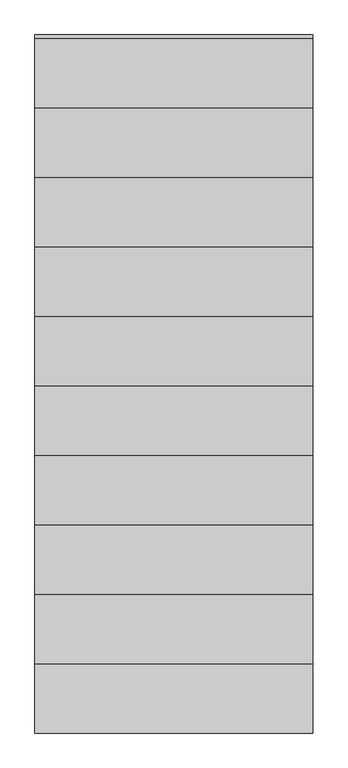
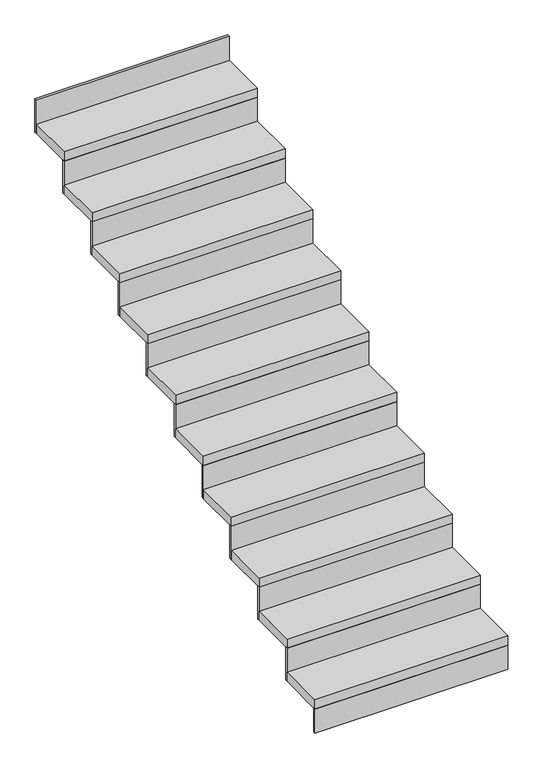
"""IFC4 building model written with IfcOpenShell, lengths in millimetres: stair flight geometry."""

import ifcopenshell
import ifcopenshell.guid

model = None  # the IFC model being written
_history = None  # IfcOwnerHistory: only IFC2X3 demands one
_inside = {}  # id of a spatial element -> (the spatial element, [elements in it])
_under = {}  # id of a project, library or spatial element -> (it, [spatial elements below it])
_declared = {}  # id of a project -> (the project, [libraries it declares])
_typed = {}  # id of a type object -> (the type object, [elements of that type])
_made_of = {}  # id of a material, layer set ... -> (it, [elements and type objects made of it])


def new_model(schema):
    """Start an empty IFC model of exactly this schema.

    Asked for "IFC4X3", IfcOpenShell would pick the latest addendum, in which some entities
    have other attributes; the version numbers below select the first issue.
    IFC2X3 requires an IfcOwnerHistory on every rooted entity: one is made here for all.
    """
    global model, _history
    if schema == "IFC4X3":
        model = ifcopenshell.file(schema_version=(4, 3, 0, 0))
    else:
        model = ifcopenshell.file(schema=schema)
    _inside.clear()
    _under.clear()
    _declared.clear()
    _typed.clear()
    _made_of.clear()
    _history = None
    if model.schema == "IFC2X3":
        org = make("IfcOrganization", Name="unknown")
        user = make(
            "IfcPersonAndOrganization",
            ThePerson=make("IfcPerson", FamilyName="unknown"),
            TheOrganization=org,
        )
        app = make(
            "IfcApplication",
            ApplicationDeveloper=org,
            Version="unknown",
            ApplicationFullName="unknown",
            ApplicationIdentifier="unknown",
        )
        _history = make(
            "IfcOwnerHistory",
            OwningUser=user,
            OwningApplication=app,
            ChangeAction="ADDED",
            CreationDate=0,
        )
    return model


def make(cls, **values):
    """One entity of the class cls with the attributes given. An attribute that is None is left unset."""
    return model.create_entity(
        cls, **{name: value for name, value in values.items() if value is not None}
    )


def rooted(cls, **values):
    """An entity with a GlobalId (a new one), such as an element, a storey or a relation."""
    return make(cls, GlobalId=ifcopenshell.guid.new(), OwnerHistory=_history, **values)


def si_unit(unit_type, name, prefix=None):
    """IfcSIUnit, for example si_unit("LENGTHUNIT", "METRE", prefix="MILLI")."""
    return make("IfcSIUnit", UnitType=unit_type, Prefix=prefix, Name=name)


def assignment(units):
    """IfcUnitAssignment: the units of a project."""
    return None if units is None else make("IfcUnitAssignment", Units=units)


def point(xyz):
    """IfcCartesianPoint."""
    return None if xyz is None else make("IfcCartesianPoint", Coordinates=xyz)


def direction(xyz):
    """IfcDirection."""
    return None if xyz is None else make("IfcDirection", DirectionRatios=xyz)


def frame(location, z_axis=None, x_axis=None):
    """IfcAxis2Placement3D, a coordinate frame: its origin and axes. An axis left out is left unset."""
    return make(
        "IfcAxis2Placement3D",
        Location=point(location),
        Axis=direction(z_axis),
        RefDirection=direction(x_axis),
    )


def origin():
    """The frame at (0, 0, 0) with its axes left unset."""
    return frame((0.0, 0.0, 0.0))


def origin_with_axes():
    """The frame at (0, 0, 0) with the z axis (0, 0, 1) and the x axis (1, 0, 0) written out."""
    return frame((0.0, 0.0, 0.0), z_axis=(0.0, 0.0, 1.0), x_axis=(1.0, 0.0, 0.0))


def place(relative_to, where):
    """IfcLocalPlacement: puts the frame where relative to a parent placement (None: the world)."""
    return make(
        "IfcLocalPlacement", PlacementRelTo=relative_to, RelativePlacement=where
    )


def context(
    kind, dimensions, precision=None, world=None, true_north=None, identifier=None
):
    """IfcGeometricRepresentationContext, for example the 3D "Model" context."""
    return make(
        "IfcGeometricRepresentationContext",
        ContextIdentifier=identifier,
        ContextType=kind,
        CoordinateSpaceDimension=dimensions,
        Precision=precision,
        WorldCoordinateSystem=world,
        TrueNorth=true_north,
    )


def project(units=None, contexts=None):
    """IfcProject with its units and contexts."""
    return rooted(
        "IfcProject",
        Name="project",
        RepresentationContexts=contexts,
        UnitsInContext=assignment(units),
    )


def spatial(cls, under=None, at=None, **own):
    """A site, building, storey or space (cls), placed at a placement, below another one or the project."""
    s = rooted(cls, ObjectPlacement=at, **own)
    if under is not None:
        _under.setdefault(under.id(), (under, []))[1].append(s)
    return s


def polyline(points):
    """IfcPolyline through the points."""
    return make("IfcPolyline", Points=[point(p) for p in points])


def outline(outer, holes=None, kind="AREA"):
    """IfcArbitraryClosedProfileDef: a profile drawn as a closed curve; with holes, ...WithVoids."""
    if holes is None:
        return make("IfcArbitraryClosedProfileDef", ProfileType=kind, OuterCurve=outer)
    return make(
        "IfcArbitraryProfileDefWithVoids",
        ProfileType=kind,
        OuterCurve=outer,
        InnerCurves=holes,
    )


def extrude(swept, where, along, depth):
    """IfcExtrudedAreaSolid: the profile swept, set in the frame where, extruded along a direction by depth."""
    return make(
        "IfcExtrudedAreaSolid",
        SweptArea=swept,
        Position=where,
        ExtrudedDirection=direction(along),
        Depth=depth,
    )


def shape(context_of_items, identifier, shape_type, items):
    """IfcShapeRepresentation: the items that make up one representation, for example the "Body"."""
    return make(
        "IfcShapeRepresentation",
        ContextOfItems=context_of_items,
        RepresentationIdentifier=identifier,
        RepresentationType=shape_type,
        Items=items,
    )


def source(mapping_origin, context_of_items, identifier, shape_type, items):
    """IfcRepresentationMap: a shape defined once, which mapped items show again and again."""
    return make(
        "IfcRepresentationMap",
        MappingOrigin=mapping_origin,
        MappedRepresentation=shape(context_of_items, identifier, shape_type, items),
    )


def transform(
    local_origin,
    x_axis=None,
    y_axis=None,
    z_axis=None,
    scale=None,
    scale2=None,
    scale3=None,
    uniform=True,
):
    """IfcCartesianTransformationOperator3D, or its non-uniform kind. x_axis, y_axis, z_axis: its Axis1, 2, 3."""
    if uniform:
        return make(
            "IfcCartesianTransformationOperator3D",
            Axis1=direction(x_axis),
            Axis2=direction(y_axis),
            LocalOrigin=point(local_origin),
            Scale=scale,
            Axis3=direction(z_axis),
        )
    return make(
        "IfcCartesianTransformationOperator3DnonUniform",
        Axis1=direction(x_axis),
        Axis2=direction(y_axis),
        LocalOrigin=point(local_origin),
        Scale=scale,
        Axis3=direction(z_axis),
        Scale2=scale2,
        Scale3=scale3,
    )


def mapped(mapping_source, mapping_target):
    """IfcMappedItem: shows the shape of a source again, moved by a transform."""
    return make(
        "IfcMappedItem", MappingSource=mapping_source, MappingTarget=mapping_target
    )


def made_of(thing, what):
    """Note that an element or type object is made of a material, layer set ...; save() writes the relation."""
    if what is not None:
        _made_of.setdefault(what.id(), (what, []))[1].append(thing)
    return thing


def element(
    cls,
    number,
    at=None,
    inside=None,
    cuts=None,
    type_object=None,
    material=None,
    context=None,
    identifier="Body",
    shape_type=None,
    held_by="IfcProductDefinitionShape",
    body=None,
    shapes=None,
    **own,
):
    """One element of the class cls, such as IfcWall. Its Tag is "e" and its number.

    at: its placement. inside: the storey or other place that contains it. cuts: it is an
    opening in that element (IfcRelVoidsElement). A single representation is given by context,
    identifier, shape_type and body (its items); several are given by shapes. held_by: the class
    of the entity that holds the representations. save() writes the other relations.
    """
    e = rooted(cls, Tag="e%d" % number, ObjectPlacement=at, **own)
    if body is not None:
        shapes = [shape(context, identifier, shape_type, body)]
    if shapes is not None:
        e.Representation = make(held_by, Representations=shapes)
    if inside is not None:
        _inside.setdefault(inside.id(), (inside, []))[1].append(e)
    if cuts is not None:
        rooted(
            "IfcRelVoidsElement", RelatingBuildingElement=cuts, RelatedOpeningElement=e
        )
    if type_object is not None:
        _typed.setdefault(type_object.id(), (type_object, []))[1].append(e)
    return made_of(e, material)


def aggregate(whole, parts):
    """IfcRelAggregates: a whole, such as a stair, and the parts it consists of."""
    return rooted("IfcRelAggregates", RelatingObject=whole, RelatedObjects=parts)


def save(model, path):
    """Write the relations noted so far, then the file.

    IfcRelAggregates (storeys below a building ...), IfcRelContainedInSpatialStructure (elements
    in a storey), IfcRelDefinesByType, IfcRelAssociatesMaterial and IfcRelDeclares: one each for
    every whole, place, type object, material and project.
    """
    for whole, parts in _under.values():
        aggregate(whole, parts)
    for where, things in _inside.values():
        rooted(
            "IfcRelContainedInSpatialStructure",
            RelatedElements=things,
            RelatingStructure=where,
        )
    for kind, things in _typed.values():
        rooted("IfcRelDefinesByType", RelatedObjects=things, RelatingType=kind)
    for what, things in _made_of.values():
        rooted("IfcRelAssociatesMaterial", RelatedObjects=things, RelatingMaterial=what)
    for by, libraries in _declared.values():
        rooted("IfcRelDeclares", RelatingContext=by, RelatedDefinitions=libraries)
    model.write(path)


def stair_flight_dd9ab49b(model_context):
    return source(origin(), model_context, "Body", "SweptSolid", [
        extrude(outline(polyline([(5679.5324543, -20810.2019092), (5679.5324543, -20822.7019092), (4679.5324543, -20822.7019092), (4679.5324543, -20810.2019092), (5679.5324543, -20810.2019092)])), origin_with_axes(), (0.0, 0.0, 1.0), 131.8181818),
        extrude(outline(polyline([(4679.5324543, -20572.7019092), (5679.5324543, -20572.7019092), (5679.5324543, -20822.7019092), (4679.5324543, -20822.7019092), (4679.5324543, -20572.7019092)])), frame((0.0, 0.0, 131.8181818), z_axis=(0.0, 0.0, 1.0), x_axis=(1.0, 0.0, 0.0)), (0.0, 0.0, 1.0), 50.0),
        extrude(outline(polyline([(5679.5324543, -20560.2019092), (5679.5324543, -20572.7019092), (4679.5324543, -20572.7019092), (4679.5324543, -20560.2019092), (5679.5324543, -20560.2019092)])), frame((0.0, 0.0, 131.8181818), z_axis=(0.0, 0.0, 1.0), x_axis=(1.0, 0.0, 0.0)), (0.0, 0.0, 1.0), 181.8181818),
        extrude(outline(polyline([(4679.5324543, -20322.7019092), (5679.5324543, -20322.7019092), (5679.5324543, -20572.7019092), (4679.5324543, -20572.7019092), (4679.5324543, -20322.7019092)])), frame((0.0, 0.0, 313.6363636), z_axis=(0.0, 0.0, 1.0), x_axis=(1.0, 0.0, 0.0)), (0.0, 0.0, 1.0), 50.0),
        extrude(outline(polyline([(5679.5324543, -20310.2019092), (5679.5324543, -20322.7019092), (4679.5324543, -20322.7019092), (4679.5324543, -20310.2019092), (5679.5324543, -20310.2019092)])), frame((0.0, 0.0, 313.6363636), z_axis=(0.0, 0.0, 1.0), x_axis=(1.0, 0.0, 0.0)), (0.0, 0.0, 1.0), 181.8181818),
        extrude(outline(polyline([(4679.5324543, -20072.7019092), (5679.5324543, -20072.7019092), (5679.5324543, -20322.7019092), (4679.5324543, -20322.7019092), (4679.5324543, -20072.7019092)])), frame((0.0, 0.0, 495.4545455), z_axis=(0.0, 0.0, 1.0), x_axis=(1.0, 0.0, 0.0)), (0.0, 0.0, 1.0), 50.0),
        extrude(outline(polyline([(5679.5324543, -20060.2019092), (5679.5324543, -20072.7019092), (4679.5324543, -20072.7019092), (4679.5324543, -20060.2019092), (5679.5324543, -20060.2019092)])), frame((0.0, 0.0, 495.4545455), z_axis=(0.0, 0.0, 1.0), x_axis=(1.0, 0.0, 0.0)), (0.0, 0.0, 1.0), 181.8181818),
        extrude(outline(polyline([(4679.5324543, -19822.7019092), (5679.5324543, -19822.7019092), (5679.5324543, -20072.7019092), (4679.5324543, -20072.7019092), (4679.5324543, -19822.7019092)])), frame((0.0, 0.0, 677.2727273), z_axis=(0.0, 0.0, 1.0), x_axis=(1.0, 0.0, 0.0)), (0.0, 0.0, 1.0), 50.0),
        extrude(outline(polyline([(5679.5324543, -19810.2019092), (5679.5324543, -19822.7019092), (4679.5324543, -19822.7019092), (4679.5324543, -19810.2019092), (5679.5324543, -19810.2019092)])), frame((0.0, 0.0, 677.2727273), z_axis=(0.0, 0.0, 1.0), x_axis=(1.0, 0.0, 0.0)), (0.0, 0.0, 1.0), 181.8181818),
        extrude(outline(polyline([(4679.5324543, -19572.7019092), (5679.5324543, -19572.7019092), (5679.5324543, -19822.7019092), (4679.5324543, -19822.7019092), (4679.5324543, -19572.7019092)])), frame((0.0, 0.0, 859.0909091), z_axis=(0.0, 0.0, 1.0), x_axis=(1.0, 0.0, 0.0)), (0.0, 0.0, 1.0), 50.0),
        extrude(outline(polyline([(5679.5324543, -19560.2019092), (5679.5324543, -19572.7019092), (4679.5324543, -19572.7019092), (4679.5324543, -19560.2019092), (5679.5324543, -19560.2019092)])), frame((0.0, 0.0, 859.0909091), z_axis=(0.0, 0.0, 1.0), x_axis=(1.0, 0.0, 0.0)), (0.0, 0.0, 1.0), 181.8181818),
        extrude(outline(polyline([(4679.5324543, -19322.7019092), (5679.5324543, -19322.7019092), (5679.5324543, -19572.7019092), (4679.5324543, -19572.7019092), (4679.5324543, -19322.7019092)])), frame((0.0, 0.0, 1040.9090909), z_axis=(0.0, 0.0, 1.0), x_axis=(1.0, 0.0, 0.0)), (0.0, 0.0, 1.0), 50.0),
        extrude(outline(polyline([(5679.5324543, -19310.2019092), (5679.5324543, -19322.7019092), (4679.5324543, -19322.7019092), (4679.5324543, -19310.2019092), (5679.5324543, -19310.2019092)])), frame((0.0, 0.0, 1040.9090909), z_axis=(0.0, 0.0, 1.0), x_axis=(1.0, 0.0, 0.0)), (0.0, 0.0, 1.0), 181.8181818),
        extrude(outline(polyline([(4679.5324543, -19072.7019092), (5679.5324543, -19072.7019092), (5679.5324543, -19322.7019092), (4679.5324543, -19322.7019092), (4679.5324543, -19072.7019092)])), frame((0.0, 0.0, 1222.7272727), z_axis=(0.0, 0.0, 1.0), x_axis=(1.0, 0.0, 0.0)), (0.0, 0.0, 1.0), 50.0),
        extrude(outline(polyline([(5679.5324543, -19060.2019092), (5679.5324543, -19072.7019092), (4679.5324543, -19072.7019092), (4679.5324543, -19060.2019092), (5679.5324543, -19060.2019092)])), frame((0.0, 0.0, 1222.7272727), z_axis=(0.0, 0.0, 1.0), x_axis=(1.0, 0.0, 0.0)), (0.0, 0.0, 1.0), 181.8181818),
        extrude(outline(polyline([(4679.5324543, -18822.7019092), (5679.5324543, -18822.7019092), (5679.5324543, -19072.7019092), (4679.5324543, -19072.7019092), (4679.5324543, -18822.7019092)])), frame((0.0, 0.0, 1404.5454545), z_axis=(0.0, 0.0, 1.0), x_axis=(1.0, 0.0, 0.0)), (0.0, 0.0, 1.0), 50.0),
        extrude(outline(polyline([(5679.5324543, -18810.2019092), (5679.5324543, -18822.7019092), (4679.5324543, -18822.7019092), (4679.5324543, -18810.2019092), (5679.5324543, -18810.2019092)])), frame((0.0, 0.0, 1404.5454545), z_axis=(0.0, 0.0, 1.0), x_axis=(1.0, 0.0, 0.0)), (0.0, 0.0, 1.0), 181.8181818),
        extrude(outline(polyline([(4679.5324543, -18572.7019092), (5679.5324543, -18572.7019092), (5679.5324543, -18822.7019092), (4679.5324543, -18822.7019092), (4679.5324543, -18572.7019092)])), frame((0.0, 0.0, 1586.3636364), z_axis=(0.0, 0.0, 1.0), x_axis=(1.0, 0.0, 0.0)), (0.0, 0.0, 1.0), 50.0),
        extrude(outline(polyline([(5679.5324543, -18560.2019092), (5679.5324543, -18572.7019092), (4679.5324543, -18572.7019092), (4679.5324543, -18560.2019092), (5679.5324543, -18560.2019092)])), frame((0.0, 0.0, 1586.3636364), z_axis=(0.0, 0.0, 1.0), x_axis=(1.0, 0.0, 0.0)), (0.0, 0.0, 1.0), 181.8181818),
        extrude(outline(polyline([(5679.5324543, -18310.2019092), (5679.5324543, -18322.7019092), (4679.5324543, -18322.7019092), (4679.5324543, -18310.2019092), (5679.5324543, -18310.2019092)])), frame((0.0, 0.0, 1768.1818182), z_axis=(0.0, 0.0, 1.0), x_axis=(1.0, 0.0, 0.0)), (0.0, 0.0, 1.0), 181.8181818),
        extrude(outline(polyline([(4679.5324543, -18322.7019092), (5679.5324543, -18322.7019092), (5679.5324543, -18572.7019092), (4679.5324543, -18572.7019092), (4679.5324543, -18322.7019092)])), frame((0.0, 0.0, 1768.1818182), z_axis=(0.0, 0.0, 1.0), x_axis=(1.0, 0.0, 0.0)), (0.0, 0.0, 1.0), 50.0),
    ])


if __name__ == "__main__":
    model = new_model("IFC4")
    model_context = context("Model", 3, world=origin())
    ifc_project = project(units=[si_unit("LENGTHUNIT", "METRE", prefix="MILLI")], contexts=[model_context])
    site = spatial("IfcSite", under=ifc_project)
    building = spatial("IfcBuilding", under=site)
    placement = place(None, origin())
    stair_flight_shape = stair_flight_dd9ab49b(model_context)
    element("IfcStairFlight", 1, at=placement, inside=building, context=model_context, shape_type="MappedRepresentation", body=[
        mapped(stair_flight_shape, transform((0.0, 0.0, 0.0), x_axis=(1.0, 0.0, 0.0), y_axis=(0.0, 1.0, 0.0), z_axis=(0.0, 0.0, 1.0))),
    ])
    save(model, "model.ifc")
